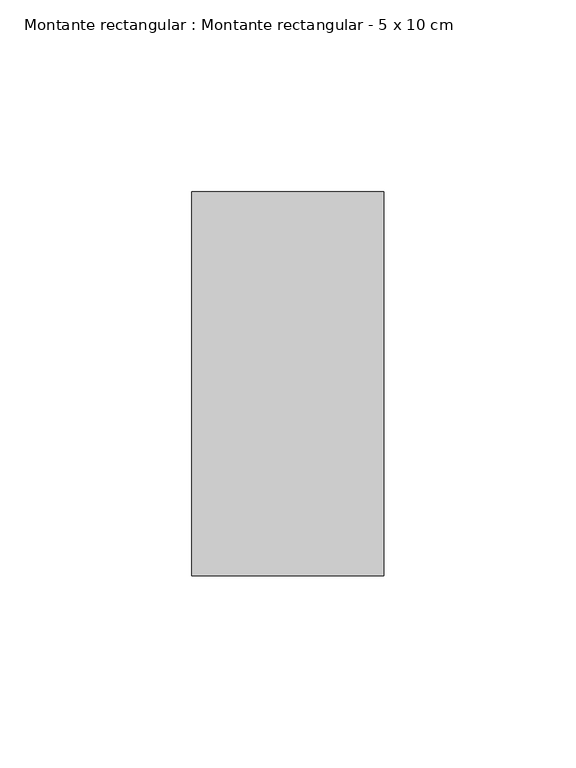
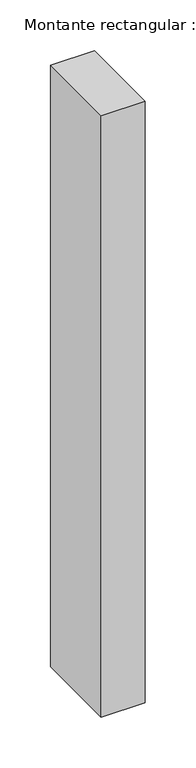
"""IFC4 building model written with IfcOpenShell, lengths in millimetres: member geometry, Montante rectangular : Montante rectangular - 5 x 10 cm."""

from ifc_helpers import new_model, si_unit, frame, origin, place, context, project, spatial, polyline, outline, extrude, source, transform, mapped, element, save


def montante_rectangular_montante_rectangular_5_x_10_cm_0507e898(model_context):
    return source(origin(), model_context, "Body", "SweptSolid", [
        extrude(outline(polyline([(-50.0, 50.0), (0.0, 50.0), (0.0, -50.0), (-50.0, -50.0), (-50.0, 50.0)])), frame((0.0, 0.0, -723.7704445), z_axis=(0.0, 0.0, 1.0), x_axis=(1.0, 0.0, 0.0)), (0.0, 0.0, 1.0), 723.7704445),
    ])


if __name__ == "__main__":
    model = new_model("IFC4")
    model_context = context("Model", 3, world=origin())
    ifc_project = project(units=[si_unit("LENGTHUNIT", "METRE", prefix="MILLI")], contexts=[model_context])
    site = spatial("IfcSite", under=ifc_project)
    building = spatial("IfcBuilding", under=site)
    placement = place(None, origin())
    montante_rectangular_montante_rectangular_5_x_10_cm_shape = montante_rectangular_montante_rectangular_5_x_10_cm_0507e898(model_context)
    element("IfcMember", 1, ObjectType="Montante rectangular : Montante rectangular - 5 x 10 cm", at=placement, inside=building, context=model_context, shape_type="MappedRepresentation", body=[
        mapped(montante_rectangular_montante_rectangular_5_x_10_cm_shape, transform((0.0, 0.0, 0.0), x_axis=(1.0, 0.0, 0.0), y_axis=(0.0, 1.0, 0.0), z_axis=(0.0, 0.0, 1.0))),
    ])
    save(model, "model.ifc")
